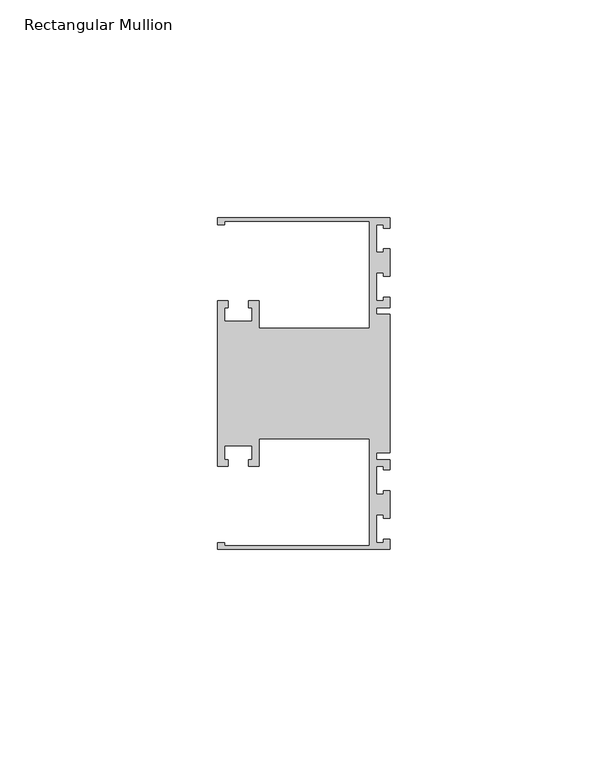
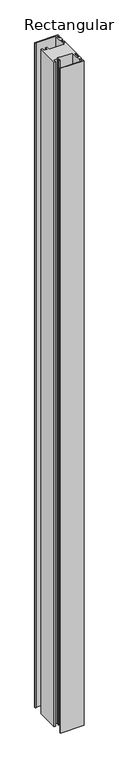
"""IFC4 building model written with IfcOpenShell, lengths in millimetres: member geometry, Rectangular Mullion."""

from ifc_helpers import new_model, si_unit, frame, origin, place, context, project, spatial, polyline, outline, extrude, source, transform, mapped, element, save


def rectangular_mullion_9ea96dff(model_context):
    return source(origin(), model_context, "Body", "SweptSolid", [
        extrude(outline(polyline([(0.0, -38.1), (-39.6875, -38.1), (-39.6875, -36.5125), (-38.1, -36.5125), (-38.1, -37.30625), (-4.7625, -37.30625), (-4.7625, -12.7), (-30.1625, -12.7), (-30.1625, -19.05), (-32.54375, -19.05), (-32.54375, -17.4625), (-31.75, -17.4625), (-31.75, -14.2875), (-38.1, -14.2875), (-38.1, -17.4625), (-37.30625, -17.4625), (-37.30625, -19.05), (-39.6875, -19.05), (-39.6875, 19.05), (-37.30625, 19.05), (-37.30625, 17.4625), (-38.1, 17.4625), (-38.1, 14.2875), (-31.75, 14.2875), (-31.75, 17.4625), (-32.54375, 17.4625), (-32.54375, 19.05), (-30.1625, 19.05), (-30.1625, 12.7), (-4.7625, 12.7), (-4.7625, 37.30625), (-38.1, 37.30625), (-38.1, 36.5125), (-39.6875, 36.5125), (-39.6875, 38.1), (0.0, 38.1), (0.0, 35.71875), (-1.4999946, 35.71875), (-1.4999946, 36.5125), (-3.175, 36.5125), (-3.175, 30.1625), (-1.4999946, 30.1625), (-1.4999946, 30.95625), (0.0, 30.95625), (0.0, 24.60625), (-1.4999946, 24.60625), (-1.4999946, 25.4), (-3.175, 25.4), (-3.175, 19.05), (-1.4999946, 19.05), (-1.4999946, 19.84375), (0.0, 19.84375), (0.0, 17.4625), (-3.175, 17.4625), (-3.175, 15.875), (0.0, 15.875), (0.0, -15.875), (-3.175, -15.875), (-3.175, -17.4625), (0.0, -17.4625), (0.0, -19.84375), (-1.4999946, -19.84375), (-1.4999946, -19.05), (-3.175, -19.05), (-3.175, -25.4), (-1.4999946, -25.4), (-1.4999946, -24.60625), (0.0, -24.60625), (0.0, -30.95625), (-1.4999946, -30.95625), (-1.4999946, -30.1625), (-3.175, -30.1625), (-3.175, -36.5125), (-1.4999946, -36.5125), (-1.4999946, -35.71875), (0.0, -35.71875), (0.0, -38.1)])), frame((0.0, 0.0, -1190.625), z_axis=(0.0, 0.0, 1.0), x_axis=(1.0, 0.0, 0.0)), (0.0, 0.0, 1.0), 1190.625),
    ])


if __name__ == "__main__":
    model = new_model("IFC4")
    model_context = context("Model", 3, world=origin())
    ifc_project = project(units=[si_unit("LENGTHUNIT", "METRE", prefix="MILLI")], contexts=[model_context])
    site = spatial("IfcSite", under=ifc_project)
    building = spatial("IfcBuilding", under=site)
    placement = place(None, origin())
    rectangular_mullion_shape = rectangular_mullion_9ea96dff(model_context)
    element("IfcMember", 1, ObjectType="Rectangular Mullion", at=placement, inside=building, context=model_context, shape_type="MappedRepresentation", body=[
        mapped(rectangular_mullion_shape, transform((0.0, 0.0, 0.0), x_axis=(1.0, 0.0, 0.0), y_axis=(0.0, 1.0, 0.0), z_axis=(0.0, 0.0, 1.0))),
    ])
    save(model, "model.ifc")
